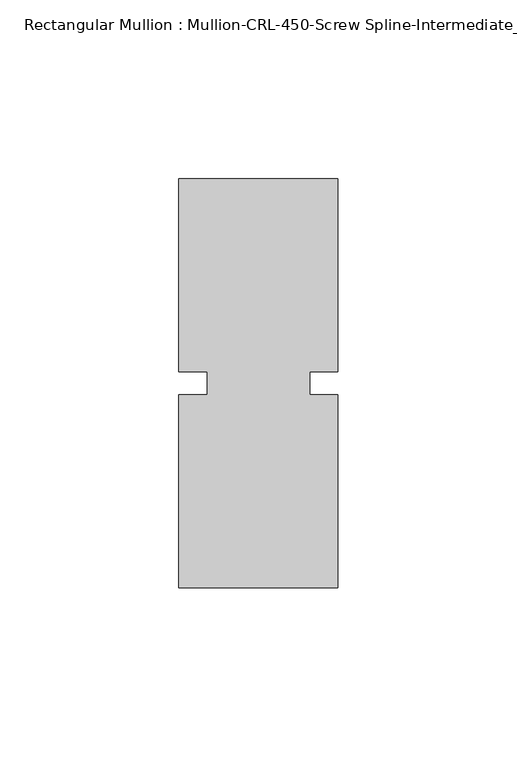
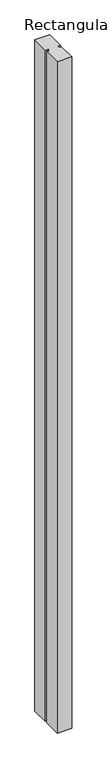
"""IFC4 building model written with IfcOpenShell, lengths in millimetres: member geometry, Rectangular Mullion : Mullion-CRL-450-Screw Spline-Intermediate_Vertical."""

from ifc_helpers import new_model, si_unit, frame, origin, place, context, project, spatial, polyline, outline, extrude, source, transform, mapped, element, save


def rectangular_mullion_mullion_crl_450_screw_spline_07b9839a(model_context):
    return source(origin(), model_context, "Body", "SweptSolid", [
        extrude(outline(polyline([(-22.2250071, -3.175), (-14.2875071, -3.175), (-14.2875071, 3.175), (-22.2250071, 3.175), (-22.2250071, 57.15), (22.2250071, 57.15), (22.2250071, 3.175), (14.2875071, 3.175), (14.2875071, -3.175), (22.2250071, -3.175), (22.2250071, -57.15), (-22.2250071, -57.15), (-22.2250071, -3.175)])), frame((0.0, 0.0, -2117.7250696), z_axis=(0.0, 0.0, 1.0), x_axis=(1.0, 0.0, 0.0)), (0.0, 0.0, 1.0), 2117.7250696),
    ])


if __name__ == "__main__":
    model = new_model("IFC4")
    model_context = context("Model", 3, world=origin())
    ifc_project = project(units=[si_unit("LENGTHUNIT", "METRE", prefix="MILLI")], contexts=[model_context])
    site = spatial("IfcSite", under=ifc_project)
    building = spatial("IfcBuilding", under=site)
    placement = place(None, origin())
    rectangular_mullion_mullion_crl_450_screw_spline_shape = rectangular_mullion_mullion_crl_450_screw_spline_07b9839a(model_context)
    element("IfcMember", 1, ObjectType="Rectangular Mullion : Mullion-CRL-450-Screw Spline-Intermediate_Vertical", at=placement, inside=building, context=model_context, shape_type="MappedRepresentation", body=[
        mapped(rectangular_mullion_mullion_crl_450_screw_spline_shape, transform((0.0, 0.0, 0.0), x_axis=(1.0, 0.0, 0.0), y_axis=(0.0, 1.0, 0.0), z_axis=(0.0, 0.0, 1.0))),
    ])
    save(model, "model.ifc")
